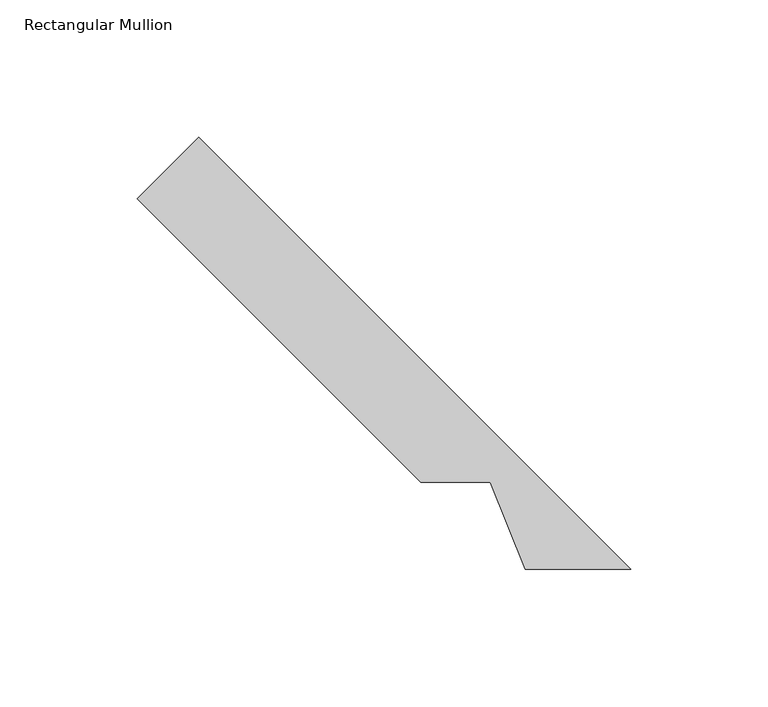
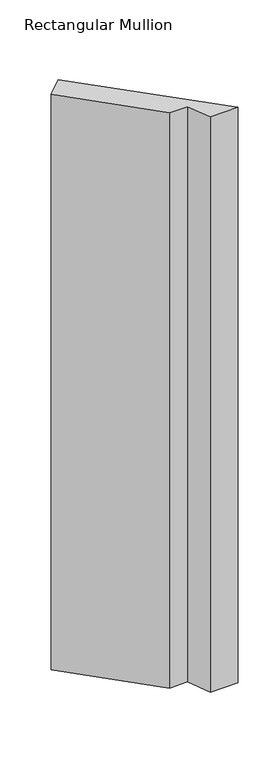
"""IFC4 building model written with IfcOpenShell, lengths in millimetres: member geometry, Rectangular Mullion."""

from ifc_helpers import new_model, si_unit, frame, origin, place, context, project, spatial, polyline, outline, extrude, source, transform, mapped, element, save


def rectangular_mullion_36fcdf26(model_context):
    return source(origin(), model_context, "Body", "SweptSolid", [
        extrude(outline(polyline([(-19.84375, 19.84375), (-58.2810256, 19.84375), (-71.1088583, 51.59375), (-96.4950306, 51.59375), (-199.7859365, 154.8846559), (-177.3352962, 177.3352962), (-19.84375, 19.84375)])), frame((0.0, 0.0, -838.1872996), z_axis=(0.0, 0.0, 1.0), x_axis=(1.0, 0.0, 0.0)), (0.0, 0.0, 1.0), 838.1872996),
    ])


if __name__ == "__main__":
    model = new_model("IFC4")
    model_context = context("Model", 3, world=origin())
    ifc_project = project(units=[si_unit("LENGTHUNIT", "METRE", prefix="MILLI")], contexts=[model_context])
    site = spatial("IfcSite", under=ifc_project)
    building = spatial("IfcBuilding", under=site)
    placement = place(None, origin())
    rectangular_mullion_shape = rectangular_mullion_36fcdf26(model_context)
    element("IfcMember", 1, ObjectType="Rectangular Mullion", at=placement, inside=building, context=model_context, shape_type="MappedRepresentation", body=[
        mapped(rectangular_mullion_shape, transform((0.0, 0.0, 0.0), x_axis=(1.0, 0.0, 0.0), y_axis=(0.0, 1.0, 0.0), z_axis=(0.0, 0.0, 1.0))),
    ])
    save(model, "model.ifc")
